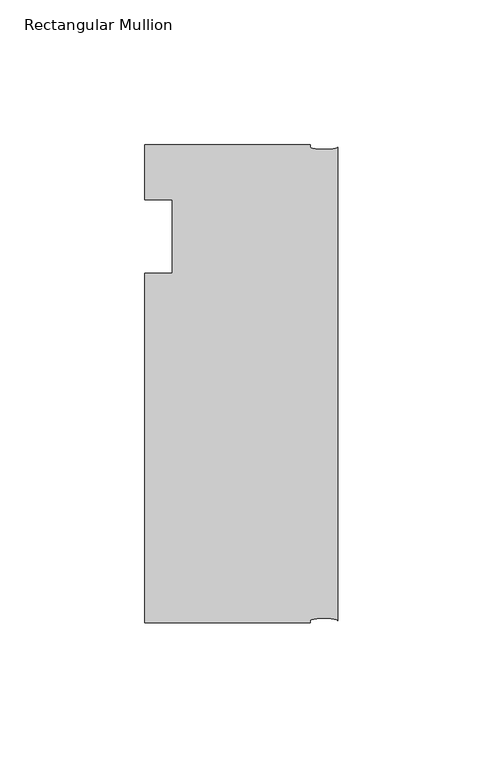
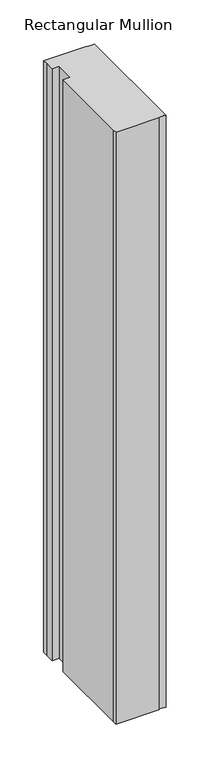
"""IFC4 building model written with IfcOpenShell, lengths in millimetres: member geometry, Rectangular Mullion."""

from ifc_helpers import new_model, si_unit, point, frame, origin, place, context, project, spatial, ellipse_curve, trimmed, source, transform, mapped, element, save
from ifc_brep_helpers import plane_surface, extruded_surface, advanced_brep


def rectangular_mullion_3479d7f6(model_context):
    return source(origin(), model_context, "Body", "AdvancedBrep", [
        advanced_brep(
        [(-66.675, -146.05, 0.0), (-9.525, -146.05, 0.0), (-9.525, -145.25625, 0.0), (0.0, -145.25625, 0.0), (0.0, 18.25625, 0.0), (-9.525, 18.25625, 0.0), (-9.525, 19.05, 0.0), (-66.675, 19.05, 0.0), (-66.675, 12.7, 0.0), (-66.675, 0.0, 0.0), (-57.1482296, 0.0, 0.0), (-57.1482296, -25.4, 0.0), (-66.675, -25.4, 0.0), (-66.675, -139.7, 0.0), (-66.675, -146.05, -825.5), (-66.675, -139.7, -825.5), (-66.675, -25.4, -825.5), (-57.1482296, -25.4, -825.5), (-57.1482296, 0.0, -825.5), (-66.675, 0.0, -825.5), (-66.675, 12.7, -825.5), (-66.675, 19.05, -825.5), (-9.525, 19.05, -825.5), (-9.525, 18.25625, -825.5), (0.0, 18.25625, -825.5), (0.0, -145.25625, -825.5), (-9.525, -145.25625, -825.5), (-9.525, -146.05, -825.5)],
        [
            (0, 1),
            (1, 2),
            (2, 3, ellipse_curve(frame((-4.7625, -145.25625, 0.0), z_axis=(0.0, 0.0, -1.0), x_axis=(-1.0, 0.0, 0.0)), 4.7625, 0.79375)),
            (3, 4),
            (4, 5, ellipse_curve(frame((-4.7625, 18.25625, 0.0), z_axis=(0.0, 0.0, -1.0), x_axis=(-1.0, 0.0, 0.0)), 4.7625, 0.79375)),
            (5, 6),
            (6, 7),
            (7, 8),
            (8, 9),
            (9, 10),
            (10, 11),
            (11, 12),
            (12, 13),
            (13, 0),
            (14, 15),
            (15, 16),
            (16, 17),
            (17, 18),
            (18, 19),
            (19, 20),
            (20, 21),
            (21, 22),
            (22, 23),
            (23, 24, ellipse_curve(frame((-4.7625, 18.25625, -825.5), z_axis=(0.0, 0.0, 1.0), x_axis=(-1.0, 0.0, 0.0)), 4.7625, 0.79375)),
            (24, 25),
            (25, 26, ellipse_curve(frame((-4.7625, -145.25625, -825.5), z_axis=(0.0, 0.0, 1.0), x_axis=(-1.0, 0.0, 0.0)), 4.7625, 0.79375)),
            (26, 27),
            (27, 14),
            (0, 14),
            (27, 1),
            (26, 2),
            (25, 3),
            (24, 4),
            (23, 5),
            (22, 6),
            (21, 7),
            (20, 8),
            (19, 9),
            (18, 10),
            (17, 11),
            (16, 12),
            (15, 13),
        ],
        [
            plane_surface(frame((0.0, -160.5495504, 0.0), z_axis=(0.0, 0.0, 1.0), x_axis=(-1.0, 0.0, 0.0))),
            plane_surface(frame((0.0, -160.5495504, -825.5), z_axis=(0.0, 0.0, -1.0), x_axis=(-1.0, 0.0, 0.0))),
            plane_surface(frame((-66.675, -146.05, 0.0), z_axis=(0.0, -1.0, 0.0), x_axis=(0.0, 0.0, -1.0))),
            plane_surface(frame((-9.525, -146.05, 0.0), z_axis=(1.0, 0.0, 0.0), x_axis=(0.0, 0.0, -1.0))),
            extruded_surface(trimmed(ellipse_curve(frame((-4.7625, -145.25625, -825.5), z_axis=(0.0, 0.0, -1.0), x_axis=(-1.0, 0.0, 0.0)), 4.7625, 0.79375), [point((-9.525, -145.25625, -825.5))], [point((0.0, -145.25625, -825.5))], True, "CARTESIAN"), (0.0, 0.0, 825.5), 825.5),
            plane_surface(frame((0.0, -145.25625, 0.0), z_axis=(1.0, 0.0, 0.0), x_axis=(0.0, 0.0, -1.0))),
            extruded_surface(trimmed(ellipse_curve(frame((-4.7625, 18.25625, -825.5), z_axis=(0.0, 0.0, -1.0), x_axis=(-1.0, 0.0, 0.0)), 4.7625, 0.79375), [point((0.0, 18.25625, -825.5))], [point((-9.525, 18.25625, -825.5))], True, "CARTESIAN"), (0.0, 0.0, 825.5), 825.5),
            plane_surface(frame((-9.525, 18.25625, 0.0), z_axis=(1.0, 0.0, 0.0), x_axis=(0.0, 0.0, -1.0))),
            plane_surface(frame((-9.525, 19.05, 0.0), z_axis=(0.0, 1.0, 0.0), x_axis=(0.0, 0.0, -1.0))),
            plane_surface(frame((-66.675, 19.05, 0.0), z_axis=(-1.0, 0.0, 0.0), x_axis=(0.0, 0.0, -1.0))),
            plane_surface(frame((-66.675, 12.7, 0.0), z_axis=(-1.0, 0.0, 0.0), x_axis=(0.0, 0.0, -1.0))),
            plane_surface(frame((-66.675, 0.0, 0.0), z_axis=(0.0, -1.0, 0.0), x_axis=(0.0, 0.0, -1.0))),
            plane_surface(frame((-57.1482296, 0.0, 0.0), z_axis=(-1.0, 0.0, 0.0), x_axis=(0.0, 0.0, -1.0))),
            plane_surface(frame((-57.1482296, -25.4, 0.0), z_axis=(0.0, 1.0, 0.0), x_axis=(0.0, 0.0, -1.0))),
            plane_surface(frame((-66.675, -25.4, 0.0), z_axis=(-1.0, 0.0, 0.0), x_axis=(0.0, 0.0, -1.0))),
            plane_surface(frame((-66.675, -139.7, 0.0), z_axis=(-1.0, 0.0, 0.0), x_axis=(0.0, 0.0, -1.0))),
        ],
        [
            (0, [[1, 2, 3, 4, 5, 6, 7, 8, 9, 10, 11, 12, 13, 14]]),
            (1, [[15, 16, 17, 18, 19, 20, 21, 22, 23, 24, 25, 26, 27, 28]]),
            (2, [[-1, 29, -28, 30]]),
            (3, [[-2, -30, -27, 31]]),
            (4, [[-3, -31, -26, 32]]),
            (5, [[-4, -32, -25, 33]]),
            (6, [[-5, -33, -24, 34]]),
            (7, [[-6, -34, -23, 35]]),
            (8, [[-7, -35, -22, 36]]),
            (9, [[-8, -36, -21, 37]]),
            (10, [[-9, -37, -20, 38]]),
            (11, [[-10, -38, -19, 39]]),
            (12, [[-11, -39, -18, 40]]),
            (13, [[-12, -40, -17, 41]]),
            (14, [[-13, -41, -16, 42]]),
            (15, [[-14, -42, -15, -29]]),
        ],
    ),
    ])


if __name__ == "__main__":
    model = new_model("IFC4")
    model_context = context("Model", 3, world=origin())
    ifc_project = project(units=[si_unit("LENGTHUNIT", "METRE", prefix="MILLI")], contexts=[model_context])
    site = spatial("IfcSite", under=ifc_project)
    building = spatial("IfcBuilding", under=site)
    placement = place(None, origin())
    rectangular_mullion_shape = rectangular_mullion_3479d7f6(model_context)
    element("IfcMember", 1, ObjectType="Rectangular Mullion", at=placement, inside=building, context=model_context, shape_type="MappedRepresentation", body=[
        mapped(rectangular_mullion_shape, transform((0.0, 0.0, 0.0), x_axis=(1.0, 0.0, 0.0), y_axis=(0.0, 1.0, 0.0), z_axis=(0.0, 0.0, 1.0))),
    ])
    save(model, "model.ifc")
